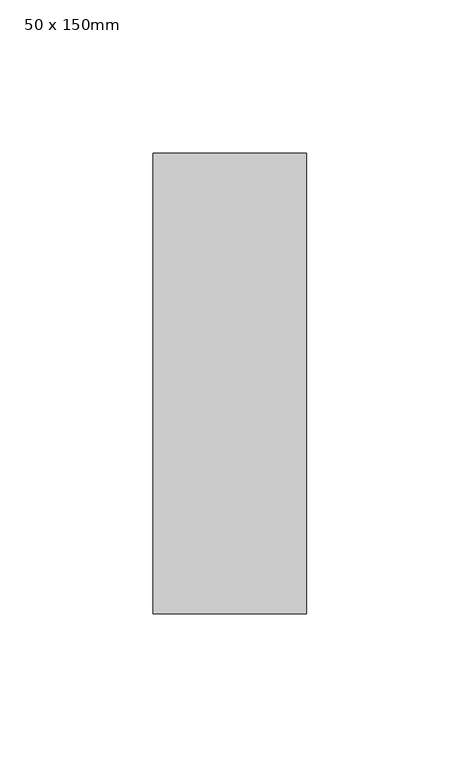
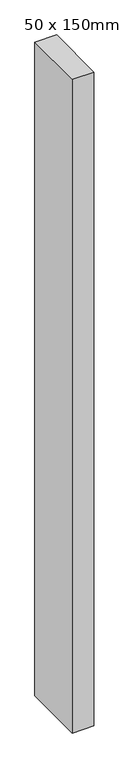
"""IFC4 building model written with IfcOpenShell, lengths in millimetres: member geometry, 50 x 150mm."""

from ifc_helpers import new_model, si_unit, frame, origin, place, context, project, spatial, polyline, outline, extrude, source, transform, mapped, element, save


def member_50_x_150mm_849620c7(model_context):
    return source(origin(), model_context, "Body", "SweptSolid", [
        extrude(outline(polyline([(0.0, 75.0), (0.0, -75.0), (-50.0, -75.0), (-50.0, 75.0), (0.0, 75.0)])), frame((0.0, 0.0, -1600.0), z_axis=(0.0, 0.0, 1.0), x_axis=(1.0, 0.0, 0.0)), (0.0, 0.0, 1.0), 1600.0),
    ])


if __name__ == "__main__":
    model = new_model("IFC4")
    model_context = context("Model", 3, world=origin())
    ifc_project = project(units=[si_unit("LENGTHUNIT", "METRE", prefix="MILLI")], contexts=[model_context])
    site = spatial("IfcSite", under=ifc_project)
    building = spatial("IfcBuilding", under=site)
    placement = place(None, origin())
    member_50_x_150mm_shape = member_50_x_150mm_849620c7(model_context)
    element("IfcMember", 1, ObjectType="50 x 150mm", at=placement, inside=building, context=model_context, shape_type="MappedRepresentation", body=[
        mapped(member_50_x_150mm_shape, transform((0.0, 0.0, 0.0), x_axis=(1.0, 0.0, 0.0), y_axis=(0.0, 1.0, 0.0), z_axis=(0.0, 0.0, 1.0))),
    ])
    save(model, "model.ifc")
